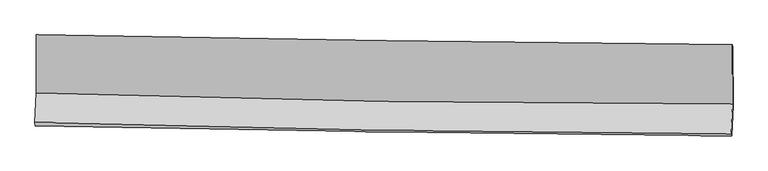
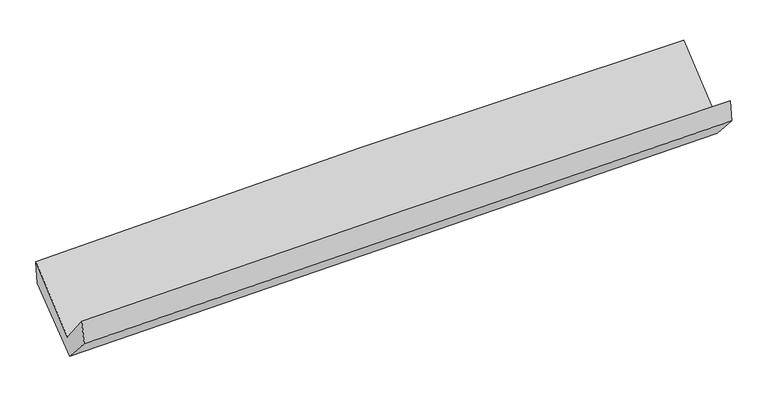
"""IFC4 building model written with IfcOpenShell, lengths in millimetres: proxy geometry."""

from ifc_helpers import new_model, si_unit, frame, origin, place, context, project, spatial, source, transform, mapped, element, save
from ifc_brep_helpers import plane_surface, spline_curve, spline_surface, advanced_brep


def generic_models_274e3470(model_context):
    return source(origin(), model_context, "Body", "AdvancedBrep", [
        advanced_brep(
        [(-3015.9288008, -1167.6538631, 2170.5012028), (-3013.0232255, -1669.9438736, 1731.1424911), (3004.4768996, -1768.3360949, 1874.7249597), (3001.910363, -1252.5748653, 2309.9087291), (-3025.6353645, -1927.3136935, 2045.6988453), (2992.0448813, -2025.9583473, 2182.2226972), (-3020.8311168, -1957.8891648, 1841.8519217), (2996.6516781, -2042.8362202, 1994.881621), (-3009.0660649, -1700.5726622, 1559.6810281), (3008.4166151, -1785.5222295, 1712.713482), (-3010.8503485, -1183.8332894, 1965.5649122), (3006.6526958, -1274.6804701, 2113.9649607)],
        [
            (0, 1),
            (1, 2, spline_curve(3, [(-3013.0232255, -1669.9438736, 1731.1424911), (-2010.926796017, -1703.391255322, 1776.271644227), (-1008.432562287, -1728.314305909, 1810.801393197), (997.400773918, -1761.11255016, 1858.663257009), (2000.739914952, -1768.986906639, 1871.994331245), (3004.4768996, -1768.3360949, 1874.7249597)], [4, 2, 4], [0.0, 9.876091380355406, 19.75266785239647])),
            (2, 3),
            (3, 0, spline_curve(3, [(3001.910363, -1252.5748653, 2309.9087291), (1998.195761637, -1244.816885263, 2311.815037742), (994.839557108, -1233.860892469, 2301.150303902), (-1011.106795302, -1205.55357791, 2254.679893732), (-2013.696978993, -1188.20256942, 2218.875451908), (-3015.9288008, -1167.6538631, 2170.5012028)], [4, 2, 4], [0.0, 9.876576472041064, 19.75266785239647])),
            (1, 4),
            (4, 5, spline_curve(3, [(-3025.6353645, -1927.3136935, 2045.6988453), (-2023.428352358, -1957.849843358, 2088.497668714), (-1020.863816753, -1981.338277104, 2121.274034907), (985.029563258, -2014.220521028, 2166.782970315), (1988.358443083, -2023.613638246, 2179.514554789), (2992.0448813, -2025.9583473, 2182.2226972)], [4, 2, 4], [0.0, 9.876074414478131, 19.75263391980859])),
            (5, 2),
            (4, 6),
            (6, 7, spline_curve(3, [(-3020.8311168, -1957.8891648, 1841.8519217), (-2018.090917716, -1979.103171725, 1870.334561329), (-1015.276235399, -1996.789009129, 1897.328079283), (990.551355488, -2025.105040864, 1948.338125236), (1993.564271408, -2035.734888628, 1972.354507125), (2996.6516781, -2042.8362202, 1994.881621)], [4, 2, 4], [0.0, 9.875469194261735, 19.751423449648726])),
            (7, 5),
            (6, 8),
            (8, 9, spline_curve(3, [(-3009.0660649, -1700.5726622, 1559.6810281), (-2006.325923378, -1721.787924946, 1588.165044786), (-1003.511279148, -1739.474599751, 1615.159481228), (1002.316273237, -1767.791469063, 1666.170445314), (2005.329189347, -1778.421316533, 1690.186827089), (3008.4166151, -1785.5222295, 1712.713482)], [4, 2, 4], [0.0, 9.87521575232677, 19.750916553330292])),
            (9, 7),
            (8, 10),
            (10, 11, spline_curve(3, [(-3010.8503485, -1183.8332894, 1965.5649122), (-2008.109082959, -1205.374045723, 1993.79326316), (-1005.292180166, -1223.714915188, 2020.273848451), (1000.542160622, -1253.997622904, 2069.74070297), (2003.559605881, -1265.939147425, 2092.726800342), (3006.6526958, -1274.6804701, 2113.9649607)], [4, 2, 4], [0.0, 9.875201814877585, 19.750888677747344])),
            (11, 9),
            (10, 0),
            (3, 11),
        ],
        [
            spline_surface(3, 3, [[(-3015.9288008, -1167.6538631, 2170.5012028), (-2013.69697895, -1188.202569562, 2218.875451903), (-1011.10679545, -1205.553577754, 2254.679893683), (994.839557257, -1233.860892625, 2301.150303951), (1998.195761733, -1244.816885162, 2311.8150376), (3001.910363, -1252.5748653, 2309.9087291)], [(-3014.960275709, -1335.083866606, 2024.048298906), (-2012.773584624, -1359.932131437, 2071.340849369), (-1010.215384337, -1379.80715376, 2106.72039347), (995.693296122, -1409.61144518, 2153.654621693), (1999.043812855, -1419.540225708, 2165.2081355), (3002.765875222, -1424.495275174, 2164.847472641)], [(-3013.991750591, -1502.513870094, 1877.595394994), (-2011.85019027, -1531.661693294, 1923.806246816), (-1009.32397328, -1554.06072977, 1958.760893248), (996.547034932, -1585.361997738, 2006.158939428), (1999.891863911, -1594.263566233, 2018.601233376), (3003.621387378, -1596.415685026, 2019.786216159)], [(-3013.0232255, -1669.9438736, 1731.1424911), (-2010.926795943, -1703.391255169, 1776.271644282), (-1008.432562167, -1728.314305776, 1810.801393035), (997.400773797, -1761.112550292, 1858.66325717), (2000.739915034, -1768.986906779, 1871.994331276), (3004.4768996, -1768.3360949, 1874.7249597)]], [4, 4], [4, 2, 4], [0.0, 2.254129006203886], [0.0, 9.876091380355406, 19.75266785239647]),
            spline_surface(3, 3, [[(-3013.0232255, -1669.9438736, 1731.1424911), (-2010.926795943, -1703.391255169, 1776.271644282), (-1008.432562167, -1728.314305776, 1810.801393035), (997.400773797, -1761.112550292, 1858.66325717), (2000.739915034, -1768.986906779, 1871.994331276), (3004.4768996, -1768.3360949, 1874.7249597)], [(-3017.227271819, -1755.73381355, 1835.994609178), (-2015.093981451, -1788.210784542, 1880.346985801), (-1012.576313712, -1812.655629614, 1914.29227368), (993.27703697, -1845.481873829, 1961.369828176), (1996.612757642, -1853.862483903, 1974.50107241), (3000.332893477, -1854.210179007, 1977.22420554)], [(-3021.431318181, -1841.52375355, 1940.846727222), (-2019.261167001, -1873.030313967, 1984.422327287), (-1016.720065261, -1896.996953421, 2017.783154356), (989.153300139, -1929.851197336, 2064.076399214), (1992.48560032, -1938.738061108, 2077.007813523), (2996.188887423, -1940.084263193, 2079.72345136)], [(-3025.6353645, -1927.3136935, 2045.6988453), (-2023.428352509, -1957.84984334, 2088.497668805), (-1020.863816806, -1981.338277259, 2121.274035001), (985.029563311, -2014.220520873, 2166.78297022), (1988.358442929, -2023.613638233, 2179.514554658), (2992.0448813, -2025.9583473, 2182.2226972)]], [4, 4], [4, 2, 4], [0.0, 1.3117627806072951], [0.0, 9.876074414478131, 19.75263391980859]),
            spline_surface(3, 3, [[(-3025.6353645, -1927.3136935, 2045.6988453), (-2023.428352509, -1957.84984334, 2088.497668805), (-1020.863816806, -1981.338277259, 2121.274035001), (985.029563311, -2014.220520873, 2166.78297022), (1988.358442929, -2023.613638233, 2179.514554658), (2992.0448813, -2025.9583473, 2182.2226972)], [(-3024.033948607, -1937.505517275, 1977.749870756), (-2021.649207615, -1964.934286122, 2015.776632927), (-1019.001289707, -1986.488521232, 2046.625383101), (986.870160692, -2017.848694216, 2093.968021935), (1990.093719118, -2027.654055006, 2110.461205441), (2993.580480233, -2031.584304938, 2119.775671798)], [(-3022.432532693, -1947.697341025, 1909.800896244), (-2019.8700627, -1972.018728878, 1943.05559708), (-1017.138762536, -1991.638765162, 1971.976731128), (988.710758145, -2021.476867515, 2021.153073577), (1991.828995307, -2031.694471764, 2041.407856231), (2995.116079167, -2037.210262562, 2057.328646402)], [(-3020.8311168, -1957.8891648, 1841.8519217), (-2018.090917807, -1979.10317166, 1870.334561202), (-1015.276235437, -1996.789009135, 1897.328079228), (990.551355526, -2025.105040858, 1948.338125292), (1993.564271496, -2035.734888537, 1972.354507015), (2996.6516781, -2042.8362202, 1994.881621)]], [4, 4], [4, 2, 4], [0.0, 0.7272193348938971], [0.0, 9.875469194261735, 19.751423449648726]),
            spline_surface(3, 3, [[(-3020.8311168, -1957.8891648, 1841.8519217), (-2018.090917807, -1979.10317166, 1870.334561202), (-1015.276235437, -1996.789009135, 1897.328079228), (990.551355526, -2025.105040858, 1948.338125292), (1993.564271496, -2035.734888537, 1972.354507015), (2996.6516781, -2042.8362202, 1994.881621)], [(-3016.909432822, -1872.116997261, 1747.79495718), (-2014.16925297, -1893.331422772, 1776.278055771), (-1011.354583362, -1911.01753935, 1803.271879858), (994.47299484, -1939.33385019, 1854.282231998), (1997.485910809, -1949.963697868, 1878.298613721), (3000.573323794, -1957.06488997, 1900.825574665)], [(-3012.987748878, -1786.344829739, 1653.73799262), (-2010.247588168, -1807.5596739, 1682.221550299), (-1007.43293137, -1825.246069656, 1709.215680494), (998.39463407, -1853.562659612, 1760.226338711), (2001.407550039, -1864.192507191, 1784.242720434), (3004.494969406, -1871.29355973, 1806.769528335)], [(-3009.0660649, -1700.5726622, 1559.6810281), (-2006.325923331, -1721.787925012, 1588.165044867), (-1003.511279295, -1739.47459987, 1615.159481124), (1002.316273383, -1767.791468943, 1666.170445418), (2005.329189353, -1778.421316522, 1690.186827141), (3008.4166151, -1785.5222295, 1712.713482)]], [4, 4], [4, 2, 4], [0.0, 1.2534687534549107], [0.0, 9.87521575232677, 19.750916553330292]),
            spline_surface(3, 3, [[(-3009.0660649, -1700.5726622, 1559.6810281), (-2006.325923331, -1721.787925012, 1588.165044867), (-1003.511279295, -1739.47459987, 1615.159481124), (1002.316273383, -1767.791468943, 1666.170445418), (2005.329189353, -1778.421316522, 1690.186827141), (3008.4166151, -1785.5222295, 1712.713482)], [(-3009.660826112, -1528.326204592, 1694.975656124), (-2006.920309904, -1549.649965281, 1723.374450936), (-1004.104912897, -1567.55470496, 1750.197603561), (1001.724902439, -1596.526853653, 1800.693864599), (2004.739328134, -1607.593926796, 1824.366818243), (3007.828641975, -1615.241643045, 1846.463974893)], [(-3010.255587288, -1356.079747008, 1830.270284176), (-2007.51469644, -1377.512005574, 1858.583857033), (-1004.698546497, -1395.634809989, 1885.23572601), (1001.133531498, -1425.262238303, 1935.217283792), (2004.149466992, -1436.766537036, 1958.546809367), (3007.240668925, -1444.961056555, 1980.214467807)], [(-3010.8503485, -1183.8332894, 1965.5649122), (-2008.109083013, -1205.374045843, 1993.793263102), (-1005.292180099, -1223.714915078, 2020.273848447), (1000.542160554, -1253.997623013, 2069.740702974), (2003.559605773, -1265.939147309, 2092.726800469), (3006.6526958, -1274.6804701, 2113.9649607)]], [4, 4], [4, 2, 4], [0.0, 2.147612090879849], [0.0, 9.875201814877585, 19.750888677747344]),
            spline_surface(3, 3, [[(-3010.8503485, -1183.8332894, 1965.5649122), (-2008.109083013, -1205.374045843, 1993.793263102), (-1005.292180099, -1223.714915078, 2020.273848447), (1000.542160554, -1253.997623013, 2069.740702974), (2003.559605773, -1265.939147309, 2092.726800469), (3006.6526958, -1274.6804701, 2113.9649607)], [(-3012.54316593, -1178.440147316, 2033.877009056), (-2009.971714989, -1199.650220432, 2068.820659359), (-1007.230385239, -1217.661135958, 2098.409196848), (998.641292766, -1247.285379538, 2146.877236622), (2001.771657758, -1258.898393261, 2165.756212842), (3005.071918198, -1267.311935167, 2179.279550163)], [(-3014.23598337, -1173.047005184, 2102.189105944), (-2011.834346975, -1193.926394974, 2143.848055647), (-1009.168590311, -1211.607356875, 2176.544545282), (996.740425045, -1240.5731361, 2224.013770303), (1999.983709748, -1251.85763921, 2238.785625227), (3003.491140602, -1259.943400233, 2244.594139637)], [(-3015.9288008, -1167.6538631, 2170.5012028), (-2013.69697895, -1188.202569562, 2218.875451903), (-1011.10679545, -1205.553577754, 2254.679893683), (994.839557257, -1233.860892625, 2301.150303951), (1998.195761733, -1244.816885162, 2311.8150376), (3001.910363, -1252.5748653, 2309.9087291)]], [4, 4], [4, 2, 4], [0.0, 0.766944088573557], [0.0, 9.875488196036253, 19.75146145413109]),
            plane_surface(frame((3001.6921888, -1691.6513712, 2031.4027416), z_axis=(0.9995133181762621, -0.017061749302485572, 0.02611557962247187), x_axis=(-0.0027154413792416874, 0.7864083078158626, 0.6177010602033217))),
            plane_surface(frame((-3015.8891535, -1601.2010911, 1885.7400669), z_axis=(-0.9995133181762633, 0.01706174930245857, -0.026115579622440266), x_axis=(0.024696236473975258, -0.07867966734178038, -0.9965940025160739))),
        ],
        [
            (0, [[1, 2, 3, 4]]),
            (1, [[5, 6, 7, -2]]),
            (2, [[8, 9, 10, -6]]),
            (3, [[11, 12, 13, -9]]),
            (4, [[14, 15, 16, -12]]),
            (5, [[17, -4, 18, -15]]),
            (6, [[-16, -18, -3, -7, -10, -13]]),
            (7, [[-17, -14, -11, -8, -5, -1]]),
        ],
    ),
    ])


if __name__ == "__main__":
    model = new_model("IFC4")
    model_context = context("Model", 3, world=origin())
    ifc_project = project(units=[si_unit("LENGTHUNIT", "METRE", prefix="MILLI")], contexts=[model_context])
    site = spatial("IfcSite", under=ifc_project)
    building = spatial("IfcBuilding", under=site)
    placement = place(None, origin())
    generic_models_shape = generic_models_274e3470(model_context)
    element("IfcBuildingElementProxy", 1, Name="Generic Models", at=placement, inside=building, context=model_context, shape_type="MappedRepresentation", body=[
        mapped(generic_models_shape, transform((0.0, 0.0, 0.0), x_axis=(1.0, 0.0, 0.0), y_axis=(0.0, 1.0, 0.0), z_axis=(0.0, 0.0, 1.0))),
    ])
    save(model, "model.ifc")
